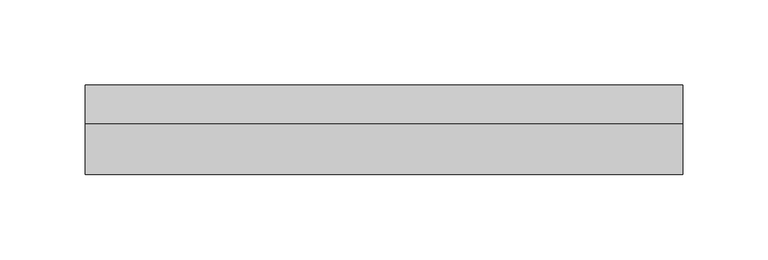
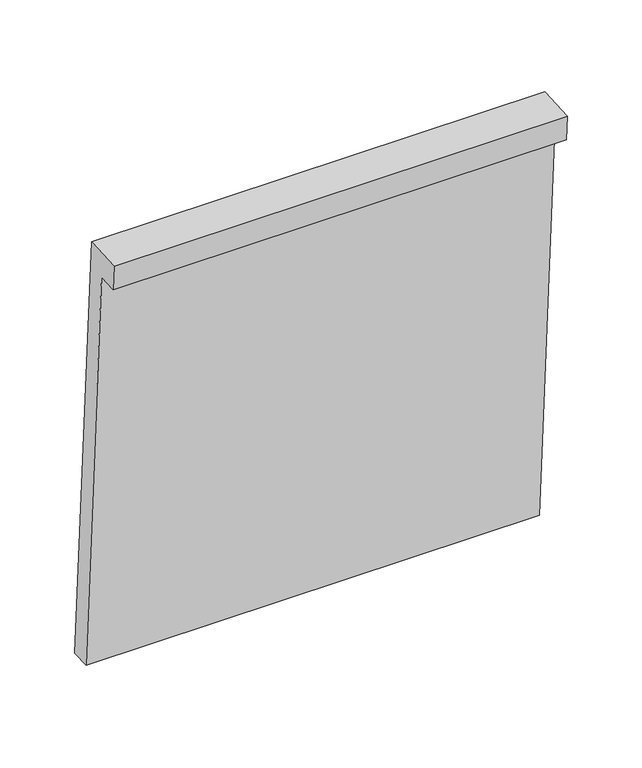
"""IFC4 building model written with IfcOpenShell, lengths in millimetres: plate geometry."""

from ifc_helpers import new_model, si_unit, frame, origin, place, context, project, spatial, polyline, outline, extrude, source, transform, mapped, element, save


def plate_44e98f8a(model_context):
    return source(origin(), model_context, "Body", "SweptSolid", [
        extrude(outline(polyline([(52.4025306, -97.3528102), (37.4334594, -98.3155697), (16.2527506, 231.0039976), (1.2836793, 230.0412381), (0.0, 250.0), (29.9381425, 251.925519), (52.4025306, -97.3528102)])), frame((-175.0000002, 0.0, 0.0), z_axis=(1.0, 0.0, 0.0), x_axis=(0.0, 1.0, 0.0)), (0.0, 0.0, 1.0), 350.0000003),
    ])


if __name__ == "__main__":
    model = new_model("IFC4")
    model_context = context("Model", 3, world=origin())
    ifc_project = project(units=[si_unit("LENGTHUNIT", "METRE", prefix="MILLI")], contexts=[model_context])
    site = spatial("IfcSite", under=ifc_project)
    building = spatial("IfcBuilding", under=site)
    placement = place(None, origin())
    plate_shape = plate_44e98f8a(model_context)
    element("IfcPlate", 1, at=placement, inside=building, context=model_context, shape_type="MappedRepresentation", body=[
        mapped(plate_shape, transform((0.0, 0.0, 0.0), x_axis=(1.0, 0.0, 0.0), y_axis=(0.0, 1.0, 0.0), z_axis=(0.0, 0.0, 1.0))),
    ])
    save(model, "model.ifc")
